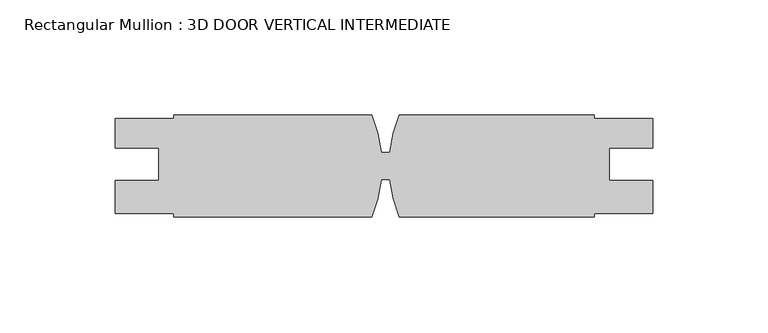
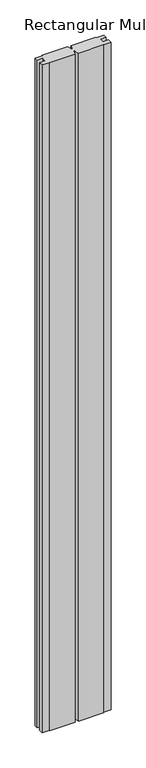
"""IFC4 building model written with IfcOpenShell, lengths in millimetres: member geometry, Rectangular Mullion : 3D DOOR VERTICAL INTERMEDIATE."""

from ifc_helpers import new_model, si_unit, point, frame, frame_2d, origin, place, context, project, spatial, polyline, circle_curve, trimmed, segment, composite_curve, outline, extrude, source, transform, mapped, element, save


def rectangular_mullion_3d_door_vertical_intermediate_67090ff1(model_context):
    return source(origin(), model_context, "Body", "SweptSolid", [
        extrude(outline(composite_curve([segment(polyline([(-92.075, 58.7375), (-5.9545735, 58.7375)]), True, "CONTINUOUS"), segment(trimmed(circle_curve(frame_2d((-60.325, 36.5125)), 58.7375), [point((-5.9545735, 58.7375))], [point((-1.9048888, 42.6104103))], False, "CARTESIAN"), True, "CONTINUOUS"), segment(polyline([(-1.9048888, 42.6104103), (1.88735, 42.4399757)]), True, "CONTINUOUS"), segment(trimmed(circle_curve(frame_2d((60.325, 36.5125)), 58.7375), [point((1.88735, 42.4399757))], [point((5.9545735, 58.7375))], False, "CARTESIAN"), True, "CONTINUOUS"), segment(polyline([(5.9545735, 58.7375), (90.831752, 58.7375), (90.831752, 57.1373), (116.231752, 57.1373), (116.231752, 44.4246), (97.1944529, 44.4246), (97.1944529, 30.1371), (116.231752, 30.1371), (116.231752, 15.8750163), (90.831752, 15.8750163), (90.831752, 14.2875), (5.9545735, 14.2875)]), True, "CONTINUOUS"), segment(trimmed(circle_curve(frame_2d((60.325, 36.5125)), 58.7375), [point((5.9545735, 14.2875))], [point((1.8869791, 30.5886821))], False, "CARTESIAN"), True, "CONTINUOUS"), segment(polyline([(1.8869791, 30.5886821), (-1.9045035, 30.4182814)]), True, "CONTINUOUS"), segment(trimmed(circle_curve(frame_2d((-60.325, 36.5125)), 58.7375), [point((-1.9045035, 30.4182814))], [point((-5.9545735, 14.2875))], False, "CARTESIAN"), True, "CONTINUOUS"), segment(polyline([(-5.9545735, 14.2875), (-92.075, 14.2875), (-92.075, 15.8750163), (-117.475, 15.8750163), (-117.475, 30.1371), (-98.4377009, 30.1371), (-98.4377009, 44.4246), (-117.475, 44.4246), (-117.475, 57.1373), (-92.075, 57.1373), (-92.075, 58.7375)]), True, "CONTINUOUS")], self_intersect=False)), frame((0.0, 0.0, -2393.95), z_axis=(0.0, 0.0, 1.0), x_axis=(1.0, 0.0, 0.0)), (0.0, 0.0, 1.0), 2393.95),
    ])


if __name__ == "__main__":
    model = new_model("IFC4")
    model_context = context("Model", 3, world=origin())
    ifc_project = project(units=[si_unit("LENGTHUNIT", "METRE", prefix="MILLI")], contexts=[model_context])
    site = spatial("IfcSite", under=ifc_project)
    building = spatial("IfcBuilding", under=site)
    placement = place(None, origin())
    rectangular_mullion_3d_door_vertical_intermediate_shape = rectangular_mullion_3d_door_vertical_intermediate_67090ff1(model_context)
    element("IfcMember", 1, ObjectType="Rectangular Mullion : 3D DOOR VERTICAL INTERMEDIATE", at=placement, inside=building, context=model_context, shape_type="MappedRepresentation", body=[
        mapped(rectangular_mullion_3d_door_vertical_intermediate_shape, transform((0.0, 0.0, 0.0), x_axis=(1.0, 0.0, 0.0), y_axis=(0.0, 1.0, 0.0), z_axis=(0.0, 0.0, 1.0))),
    ])
    save(model, "model.ifc")
